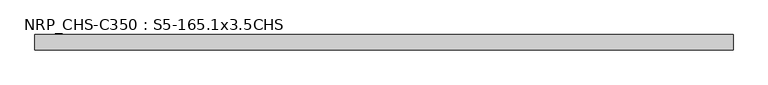
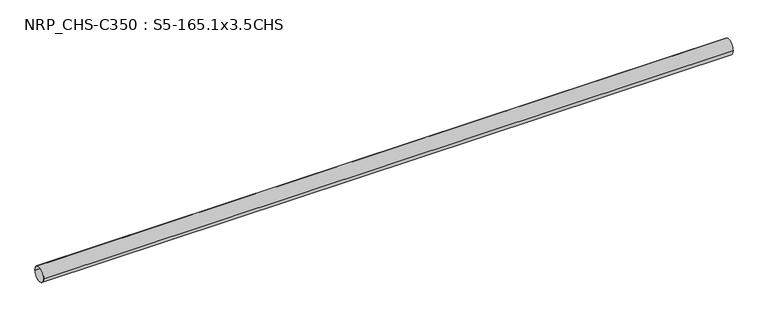
"""IFC4 building model written with IfcOpenShell, lengths in millimetres: beam geometry, NRP_CHS-C350 : S5-165.1x3.5CHS."""

from ifc_helpers import new_model, si_unit, point, frame, origin, origin_2d, place, context, project, spatial, circle_curve, trimmed, segment, composite_curve, outline, extrude, source, transform, mapped, element, save


def nrp_chs_c350_s5_165_1x3_5chs_c9a6d6a5(model_context):
    return source(origin(), model_context, "Body", "SweptSolid", [
        extrude(outline(composite_curve([segment(trimmed(circle_curve(origin_2d(), 82.55), [point((82.55, 0.0))], [point((-82.55, 0.0))], False, "CARTESIAN"), True, "CONTINUOUS"), segment(trimmed(circle_curve(origin_2d(), 82.55), [point((-82.55, 0.0))], [point((82.55, 0.0))], False, "CARTESIAN"), True, "CONTINUOUS")], self_intersect=False), holes=[composite_curve([segment(trimmed(circle_curve(origin_2d(), 79.05), [point((-79.05, 0.0))], [point((79.05, 0.0))], True, "CARTESIAN"), True, "CONTINUOUS"), segment(trimmed(circle_curve(origin_2d(), 79.05), [point((79.05, 0.0))], [point((-79.05, 0.0))], True, "CARTESIAN"), True, "CONTINUOUS")], self_intersect=False)]), frame((-3690.95, 0.0, 0.0), z_axis=(1.0, 0.0, 0.0), x_axis=(0.0, 1.0, 0.0)), (0.0, 0.0, 1.0), 7502.3),
    ])


if __name__ == "__main__":
    model = new_model("IFC4")
    model_context = context("Model", 3, world=origin())
    ifc_project = project(units=[si_unit("LENGTHUNIT", "METRE", prefix="MILLI")], contexts=[model_context])
    site = spatial("IfcSite", under=ifc_project)
    building = spatial("IfcBuilding", under=site)
    placement = place(None, origin())
    nrp_chs_c350_s5_165_1x3_5chs_shape = nrp_chs_c350_s5_165_1x3_5chs_c9a6d6a5(model_context)
    element("IfcBeam", 1, ObjectType="NRP_CHS-C350 : S5-165.1x3.5CHS", at=placement, inside=building, context=model_context, shape_type="MappedRepresentation", body=[
        mapped(nrp_chs_c350_s5_165_1x3_5chs_shape, transform((0.0, 0.0, 0.0), x_axis=(1.0, 0.0, 0.0), y_axis=(0.0, 1.0, 0.0), z_axis=(0.0, 0.0, 1.0))),
    ])
    save(model, "model.ifc")
